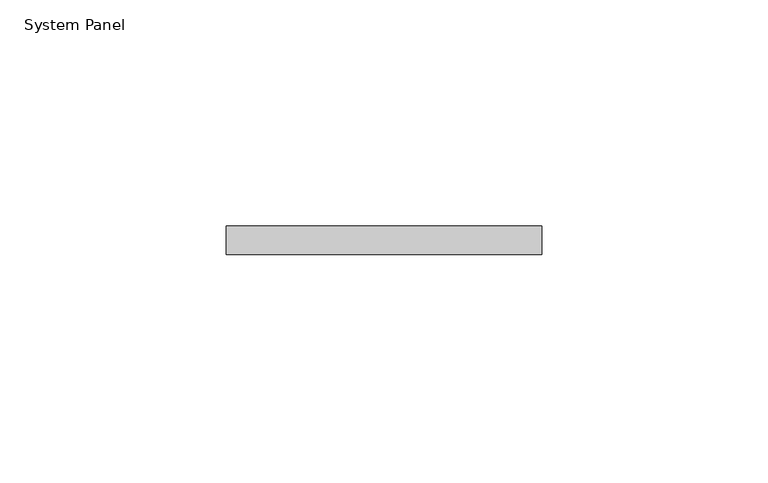
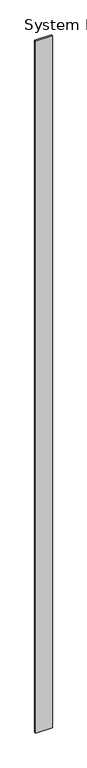
"""IFC4 building model written with IfcOpenShell, lengths in millimetres: plate geometry, System Panel."""

from ifc_helpers import new_model, si_unit, origin, origin_with_axes, place, context, project, spatial, polyline, outline, extrude, source, transform, mapped, element, save


def system_panel_1849209c(model_context):
    return source(origin(), model_context, "Body", "SweptSolid", [
        extrude(outline(polyline([(34.925, -6.35), (-34.925, -6.35), (-34.925, 0.0), (34.925, 0.0), (34.925, -6.35)])), origin_with_axes(), (0.0, 0.0, 1.0), 3048.0),
    ])


if __name__ == "__main__":
    model = new_model("IFC4")
    model_context = context("Model", 3, world=origin())
    ifc_project = project(units=[si_unit("LENGTHUNIT", "METRE", prefix="MILLI")], contexts=[model_context])
    site = spatial("IfcSite", under=ifc_project)
    building = spatial("IfcBuilding", under=site)
    placement = place(None, origin())
    system_panel_shape = system_panel_1849209c(model_context)
    element("IfcPlate", 1, ObjectType="System Panel", at=placement, inside=building, context=model_context, shape_type="MappedRepresentation", body=[
        mapped(system_panel_shape, transform((0.0, 0.0, 0.0), x_axis=(1.0, 0.0, 0.0), y_axis=(0.0, 1.0, 0.0), z_axis=(0.0, 0.0, 1.0))),
    ])
    save(model, "model.ifc")
